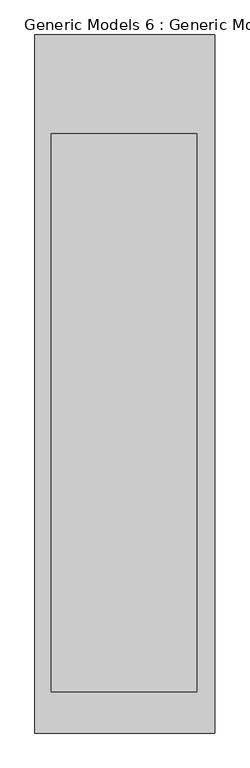
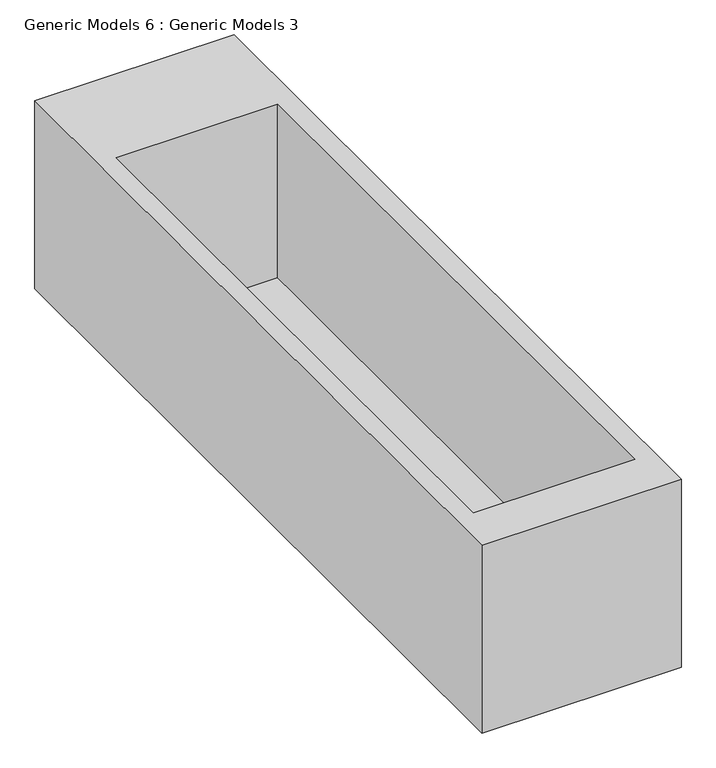
"""IFC4 building model written with IfcOpenShell, lengths in millimetres: proxy geometry, Generic Models 6 : Generic Models 3."""

from ifc_helpers import new_model, si_unit, origin, place, context, project, spatial, faceted_brep, source, transform, mapped, element, save


def generic_models_6_generic_models_3_7e96e537(model_context):
    return source(origin(), model_context, "Body", "Brep", [
        faceted_brep([(134151.0324212, -34268.5053886, 1297.8416696), (134151.0324212, -36209.9961023, 1297.8416696), (134651.0324212, -36209.9961023, 1297.8416696), (134651.0324212, -34268.5053886, 1297.8416696), (134601.0324212, -34543.1466198, 1297.8416696), (134601.0324212, -36094.4454553, 1297.8416696), (134196.9283473, -36094.4454553, 1297.8416696), (134196.9283473, -34543.1466198, 1297.8416696), (134151.0324212, -34268.5053886, 800.0), (134651.0324212, -34268.5053886, 800.0), (134651.0324212, -36209.9961023, 800.0), (134151.0324212, -36209.9961023, 800.0), (134601.0324212, -34543.1466198, 838.0779794), (134196.9283473, -34543.1466198, 838.0779794), (134196.9283473, -36094.4454553, 838.0779794), (134601.0324212, -36094.4454553, 838.0779794)], [[[0, 1, 2, 3], [4, 5, 6, 7]], [[8, 9, 10, 11]], [[1, 0, 8, 11]], [[2, 1, 11, 10]], [[3, 2, 10, 9]], [[0, 3, 9, 8]], [[12, 13, 14, 15]], [[12, 15, 5, 4]], [[15, 14, 6, 5]], [[14, 13, 7, 6]], [[13, 12, 4, 7]]]),
    ])


if __name__ == "__main__":
    model = new_model("IFC4")
    model_context = context("Model", 3, world=origin())
    ifc_project = project(units=[si_unit("LENGTHUNIT", "METRE", prefix="MILLI")], contexts=[model_context])
    site = spatial("IfcSite", under=ifc_project)
    building = spatial("IfcBuilding", under=site)
    placement = place(None, origin())
    generic_models_6_generic_models_3_shape = generic_models_6_generic_models_3_7e96e537(model_context)
    element("IfcBuildingElementProxy", 1, Name="Generic Models 6 : Generic Models 3", ObjectType="Generic Models 6 : Generic Models 3", at=placement, inside=building, context=model_context, shape_type="MappedRepresentation", body=[
        mapped(generic_models_6_generic_models_3_shape, transform((0.0, 0.0, 0.0), x_axis=(1.0, 0.0, 0.0), y_axis=(0.0, 1.0, 0.0), z_axis=(0.0, 0.0, 1.0))),
    ])
    save(model, "model.ifc")
